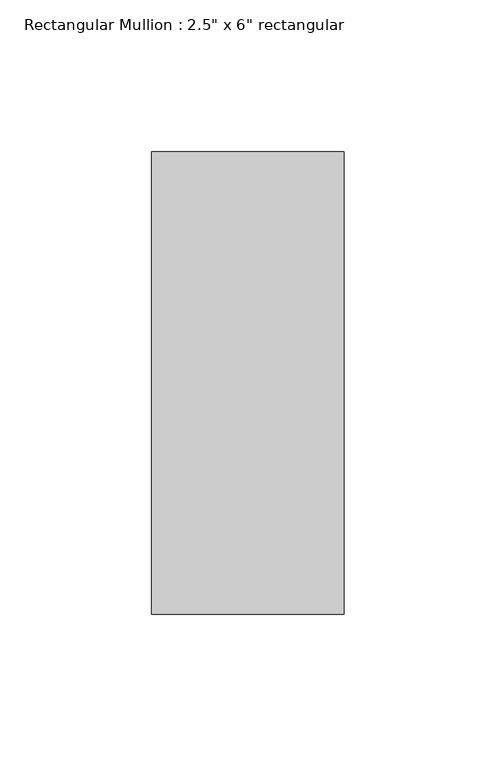
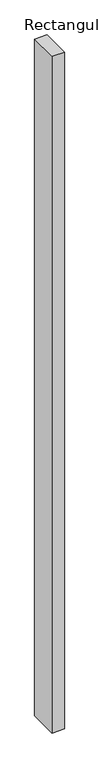
"""IFC4 building model written with IfcOpenShell, lengths in millimetres: member geometry."""

from ifc_helpers import new_model, si_unit, frame, origin, place, context, project, spatial, polyline, outline, extrude, source, transform, mapped, element, save


def member_80e9de5b(model_context):
    return source(origin(), model_context, "Body", "SweptSolid", [
        extrude(outline(polyline([(31.75, 60.325), (31.75, -92.075), (-31.75, -92.075), (-31.75, 60.325), (31.75, 60.325)])), frame((0.0, 0.0, -3659.9213441), z_axis=(0.0, 0.0, 1.0), x_axis=(1.0, 0.0, 0.0)), (0.0, 0.0, 1.0), 3659.9213441),
    ])


if __name__ == "__main__":
    model = new_model("IFC4")
    model_context = context("Model", 3, world=origin())
    ifc_project = project(units=[si_unit("LENGTHUNIT", "METRE", prefix="MILLI")], contexts=[model_context])
    site = spatial("IfcSite", under=ifc_project)
    building = spatial("IfcBuilding", under=site)
    placement = place(None, origin())
    member_shape = member_80e9de5b(model_context)
    element("IfcMember", 1, ObjectType="Rectangular Mullion : 2.5\" x 6\" rectangular", at=placement, inside=building, context=model_context, shape_type="MappedRepresentation", body=[
        mapped(member_shape, transform((0.0, 0.0, 0.0), x_axis=(1.0, 0.0, 0.0), y_axis=(0.0, 1.0, 0.0), z_axis=(0.0, 0.0, 1.0))),
    ])
    save(model, "model.ifc")
